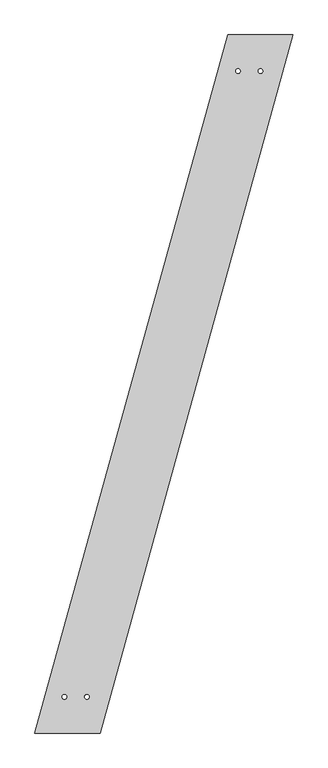
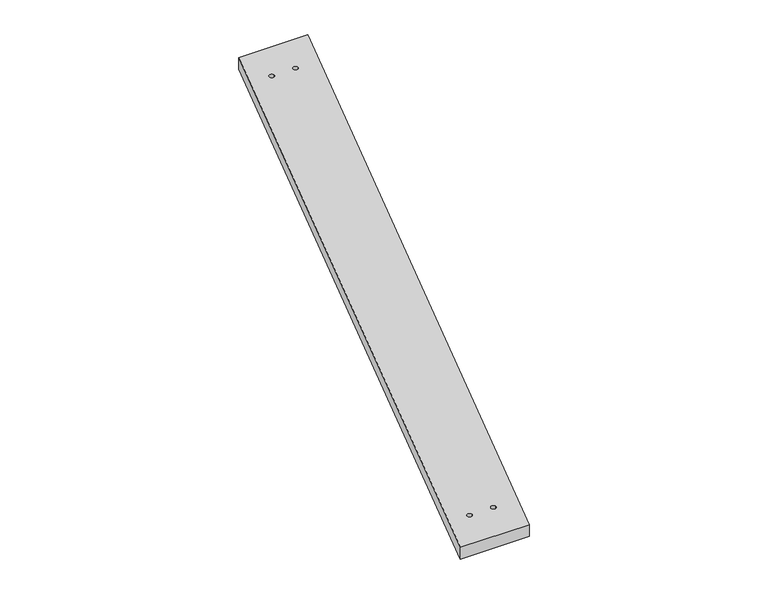
"""IFC4 building model written with IfcOpenShell, lengths in millimetres: proxy geometry."""

from ifc_helpers import new_model, si_unit, point, frame_2d, origin, origin_with_axes, place, context, project, spatial, polyline, circle_curve, trimmed, segment, composite_curve, outline, extrude, source, transform, mapped, element, save


def generic_models_70ea083f(model_context):
    return source(origin(), model_context, "Body", "SweptSolid", [
        extrude(outline(polyline([(829.0189228, 2997.4702043), (1109.0189228, 2997.4702043), (280.0, 0.0), (0.0, 0.0), (829.0189228, 2997.4702043)]), holes=[composite_curve([segment(trimmed(circle_curve(frame_2d((873.3897578, 2841.9702043)), 10.0), [point((863.3897578, 2841.9702043))], [point((883.3897578, 2841.9702043))], True, "CARTESIAN"), True, "CONTINUOUS"), segment(trimmed(circle_curve(frame_2d((873.3897578, 2841.9702043)), 10.0), [point((883.3897578, 2841.9702043))], [point((863.3897578, 2841.9702043))], True, "CARTESIAN"), True, "CONTINUOUS")], self_intersect=False), composite_curve([segment(trimmed(circle_curve(frame_2d((970.1170305, 2841.9702043)), 10.0), [point((960.1170305, 2841.9702043))], [point((980.1170305, 2841.9702043))], True, "CARTESIAN"), True, "CONTINUOUS"), segment(trimmed(circle_curve(frame_2d((970.1170305, 2841.9702043)), 10.0), [point((980.1170305, 2841.9702043))], [point((960.1170305, 2841.9702043))], True, "CARTESIAN"), True, "CONTINUOUS")], self_intersect=False), composite_curve([segment(trimmed(circle_curve(frame_2d((127.2727273, 155.5)), 10.0), [point((117.2727273, 155.5))], [point((137.2727273, 155.5))], True, "CARTESIAN"), True, "CONTINUOUS"), segment(trimmed(circle_curve(frame_2d((127.2727273, 155.5)), 10.0), [point((137.2727273, 155.5))], [point((117.2727273, 155.5))], True, "CARTESIAN"), True, "CONTINUOUS")], self_intersect=False), composite_curve([segment(trimmed(circle_curve(frame_2d((224.0, 155.5)), 10.0), [point((214.0, 155.5))], [point((234.0, 155.5))], True, "CARTESIAN"), True, "CONTINUOUS"), segment(trimmed(circle_curve(frame_2d((224.0, 155.5)), 10.0), [point((234.0, 155.5))], [point((214.0, 155.5))], True, "CARTESIAN"), True, "CONTINUOUS")], self_intersect=False)]), origin_with_axes(), (0.0, 0.0, 1.0), 50.0),
    ])


if __name__ == "__main__":
    model = new_model("IFC4")
    model_context = context("Model", 3, world=origin())
    ifc_project = project(units=[si_unit("LENGTHUNIT", "METRE", prefix="MILLI")], contexts=[model_context])
    site = spatial("IfcSite", under=ifc_project)
    building = spatial("IfcBuilding", under=site)
    placement = place(None, origin())
    generic_models_shape = generic_models_70ea083f(model_context)
    element("IfcBuildingElementProxy", 1, Name="Generic Models", at=placement, inside=building, context=model_context, shape_type="MappedRepresentation", body=[
        mapped(generic_models_shape, transform((0.0, 0.0, 0.0), x_axis=(1.0, 0.0, 0.0), y_axis=(0.0, 1.0, 0.0), z_axis=(0.0, 0.0, 1.0))),
    ])
    save(model, "model.ifc")
